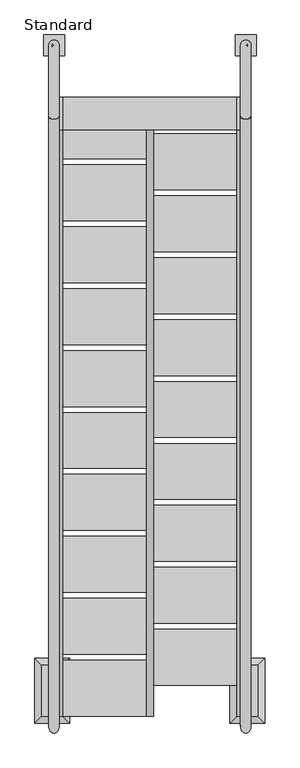
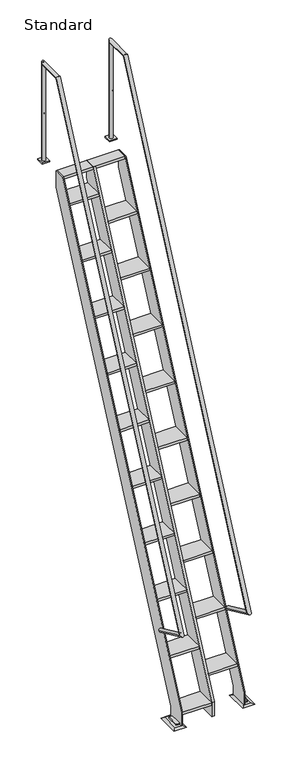
"""IFC4 building model written with IfcOpenShell, lengths in millimetres: proxy geometry, Standard."""

from ifc_helpers import new_model, si_unit, frame, origin, place, context, project, spatial, polyline, circle_curve, ellipse_curve, outline, extrude, faceted_brep, source, transform, mapped, element, save
from ifc_brep_helpers import plane_surface, cylinder_surface, advanced_brep


def standard_c1f9032d(model_context):
    return source(origin(), model_context, "Body", "SolidModel", [
        extrude(outline(polyline([(647.7, 1891.0005687), (647.7, 1687.8005687), (342.9, 1687.8005687), (342.9, 1891.0005687), (647.7, 1891.0005687)])), frame((0.0, 0.0, 3746.5), z_axis=(0.0, 0.0, 1.0), x_axis=(1.0, 0.0, 0.0)), (0.0, 0.0, 1.0), 25.4),
        extrude(outline(polyline([(647.7, 1665.9604929), (647.7, 1462.7604929), (342.9, 1462.7604929), (342.9, 1665.9604929), (647.7, 1665.9604929)])), frame((0.0, 0.0, 3263.9), z_axis=(0.0, 0.0, 1.0), x_axis=(1.0, 0.0, 0.0)), (0.0, 0.0, 1.0), 25.4),
        extrude(outline(polyline([(647.7, 1440.920417), (647.7, 1237.720417), (342.9, 1237.720417), (342.9, 1440.920417), (647.7, 1440.920417)])), frame((0.0, 0.0, 2781.3), z_axis=(0.0, 0.0, 1.0), x_axis=(1.0, 0.0, 0.0)), (0.0, 0.0, 1.0), 25.4),
        extrude(outline(polyline([(647.7, 1215.8803412), (647.7, 1012.6803412), (342.9, 1012.6803412), (342.9, 1215.8803412), (647.7, 1215.8803412)])), frame((0.0, 0.0, 2298.7), z_axis=(0.0, 0.0, 1.0), x_axis=(1.0, 0.0, 0.0)), (0.0, 0.0, 1.0), 25.4),
        extrude(outline(polyline([(647.7, 990.8402654), (647.7, 787.6402654), (342.9, 787.6402654), (342.9, 990.8402654), (647.7, 990.8402654)])), frame((0.0, 0.0, 1816.1), z_axis=(0.0, 0.0, 1.0), x_axis=(1.0, 0.0, 0.0)), (0.0, 0.0, 1.0), 25.4),
        extrude(outline(polyline([(317.5, 2003.5206066), (317.5, 1800.3206066), (12.7, 1800.3206066), (12.7, 2003.5206066), (317.5, 2003.5206066)])), frame((0.0, 0.0, 3987.8), z_axis=(0.0, 0.0, 1.0), x_axis=(1.0, 0.0, 0.0)), (0.0, 0.0, 1.0), 25.4),
        extrude(outline(polyline([(317.5, 1778.4805308), (317.5, 1575.2805308), (12.7, 1575.2805308), (12.7, 1778.4805308), (317.5, 1778.4805308)])), frame((0.0, 0.0, 3505.2), z_axis=(0.0, 0.0, 1.0), x_axis=(1.0, 0.0, 0.0)), (0.0, 0.0, 1.0), 25.4),
        extrude(outline(polyline([(317.5, 1553.440455), (317.5, 1350.240455), (12.7, 1350.240455), (12.7, 1553.440455), (317.5, 1553.440455)])), frame((0.0, 0.0, 3022.6), z_axis=(0.0, 0.0, 1.0), x_axis=(1.0, 0.0, 0.0)), (0.0, 0.0, 1.0), 25.4),
        extrude(outline(polyline([(317.5, 1328.4003791), (317.5, 1125.2003791), (12.7, 1125.2003791), (12.7, 1328.4003791), (317.5, 1328.4003791)])), frame((0.0, 0.0, 2540.0), z_axis=(0.0, 0.0, 1.0), x_axis=(1.0, 0.0, 0.0)), (0.0, 0.0, 1.0), 25.4),
        extrude(outline(polyline([(317.5, 1103.3603033), (317.5, 900.1603033), (12.7, 900.1603033), (12.7, 1103.3603033), (317.5, 1103.3603033)])), frame((0.0, 0.0, 2057.4), z_axis=(0.0, 0.0, 1.0), x_axis=(1.0, 0.0, 0.0)), (0.0, 0.0, 1.0), 25.4),
        extrude(outline(polyline([(647.7, 765.8001896), (647.7, 562.6001896), (342.9, 562.6001896), (342.9, 765.8001896), (647.7, 765.8001896)])), frame((0.0, 0.0, 1333.5), z_axis=(0.0, 0.0, 1.0), x_axis=(1.0, 0.0, 0.0)), (0.0, 0.0, 1.0), 25.4),
        extrude(outline(polyline([(647.7, 540.7601137), (647.7, 337.5601137), (342.9, 337.5601137), (342.9, 540.7601137), (647.7, 540.7601137)])), frame((0.0, 0.0, 850.9), z_axis=(0.0, 0.0, 1.0), x_axis=(1.0, 0.0, 0.0)), (0.0, 0.0, 1.0), 25.4),
        extrude(outline(polyline([(317.5, 878.3202275), (317.5, 675.1202275), (12.7, 675.1202275), (12.7, 878.3202275), (317.5, 878.3202275)])), frame((0.0, 0.0, 1574.8), z_axis=(0.0, 0.0, 1.0), x_axis=(1.0, 0.0, 0.0)), (0.0, 0.0, 1.0), 25.4),
        extrude(outline(polyline([(647.7, 315.7200379), (647.7, 112.5200379), (342.9, 112.5200379), (342.9, 315.7200379), (647.7, 315.7200379)])), frame((0.0, 0.0, 368.3), z_axis=(0.0, 0.0, 1.0), x_axis=(1.0, 0.0, 0.0)), (0.0, 0.0, 1.0), 25.4),
        extrude(outline(polyline([(317.5, 653.2801517), (317.5, 450.0801517), (12.7, 450.0801517), (12.7, 653.2801517), (317.5, 653.2801517)])), frame((0.0, 0.0, 1092.2), z_axis=(0.0, 0.0, 1.0), x_axis=(1.0, 0.0, 0.0)), (0.0, 0.0, 1.0), 25.4),
        extrude(outline(polyline([(317.5, 428.2400758), (317.5, 225.0400758), (12.7, 225.0400758), (12.7, 428.2400758), (317.5, 428.2400758)])), frame((0.0, 0.0, 609.6), z_axis=(0.0, 0.0, 1.0), x_axis=(1.0, 0.0, 0.0)), (0.0, 0.0, 1.0), 25.4),
        extrude(outline(polyline([(317.5, 203.2), (317.5, 0.0), (12.7, 0.0), (12.7, 203.2), (317.5, 203.2)])), frame((0.0, 0.0, 127.0), z_axis=(0.0, 0.0, 1.0), x_axis=(1.0, 0.0, 0.0)), (0.0, 0.0, 1.0), 25.4),
        extrude(outline(polyline([(342.9, 1912.8406445), (342.9, 2116.0406445), (647.7, 2116.0406445), (647.7, 1912.8406445), (342.9, 1912.8406445)])), frame((0.0, 0.0, 4229.1), z_axis=(0.0, 0.0, 1.0), x_axis=(1.0, 0.0, 0.0)), (0.0, 0.0, 1.0), 25.4),
        faceted_brep([(723.9, 0.0, 12.7), (723.9, 184.1617423, 12.7), (660.4, 184.1617423, 12.7), (660.4, 158.7617423, 12.7), (698.5, 158.7617423, 12.7), (698.5, 25.4, 12.7), (660.4, 25.4, 12.7), (660.4, 0.0, 12.7), (749.3, 209.5617423, 0.0), (749.3, -25.4, 0.0), (622.3, -25.4, 0.0), (622.3, 209.5617423, 0.0), (647.7, 184.1617423, 12.7), (647.7, 0.0, 12.7), (660.4, 0.0, 152.4), (647.7, 0.0, 152.4), (647.7, 2131.9586131, 4724.4), (647.7, 2249.2825823, 4724.4), (647.7, 2249.2825823, 4540.2382577), (647.7, 184.1617423, 111.5723247), (660.4, 184.1617423, 111.5723247), (660.4, 2249.2825823, 4540.2382577), (660.4, 2249.2825823, 4724.4), (660.4, 2131.9586131, 4724.4), (660.4, 25.4, 25.4), (660.4, 158.7617423, 25.4), (698.5, 158.7617423, 25.4), (698.5, 25.4, 25.4)], [[[0, 1, 2, 3, 4, 5, 6, 7]], [[8, 9, 10, 11]], [[8, 11, 12, 2, 1]], [[11, 10, 13, 12]], [[10, 9, 0, 7, 13]], [[1, 0, 9, 8]], [[14, 15, 13, 7]], [[15, 16, 17, 18, 19, 12, 13]], [[19, 20, 2, 12]], [[20, 21, 22, 23, 14, 7, 6, 24, 25, 3, 2]], [[15, 14, 23, 16]], [[19, 18, 21, 20]], [[18, 17, 22, 21]], [[17, 16, 23, 22]], [[26, 25, 24, 27]], [[25, 26, 4, 3]], [[27, 24, 6, 5]], [[26, 27, 5, 4]]]),
        faceted_brep([(-88.9, -25.4, 0.0), (-88.9, 209.5617423, 0.0), (38.1, 209.5617423, 0.0), (38.1, -25.4, 0.0), (12.7, 0.0, 152.4), (0.0, 0.0, 152.4), (0.0, 0.0, 12.7), (12.7, 0.0, 12.7), (0.0, 2131.9586131, 4724.4), (0.0, 2249.2825823, 4724.4), (0.0, 2249.2825823, 4540.2382577), (0.0, 184.1617423, 111.5723247), (0.0, 184.1617423, 12.7), (0.0, 158.7617423, 12.7), (0.0, 158.7617423, 25.4), (0.0, 25.4, 25.4), (0.0, 25.4, 12.7), (12.7, 184.1617423, 111.5723247), (12.7, 184.1617423, 12.7), (12.7, 2249.2825823, 4540.2382577), (12.7, 2249.2825823, 4724.4), (12.7, 2131.9586131, 4724.4), (-63.5, 184.1617423, 12.7), (-63.5, 0.0, 12.7), (-38.1, 25.4, 12.7), (-38.1, 158.7617423, 12.7), (-38.1, 158.7617423, 25.4), (-38.1, 25.4, 25.4)], [[[0, 1, 2, 3]], [[4, 5, 6, 7]], [[5, 8, 9, 10, 11, 12, 13, 14, 15, 16, 6]], [[11, 17, 18, 12]], [[17, 19, 20, 21, 4, 7, 18]], [[5, 4, 21, 8]], [[11, 10, 19, 17]], [[10, 9, 20, 19]], [[9, 8, 21, 20]], [[22, 23, 6, 16, 24, 25, 13, 12]], [[0, 3, 7, 6, 23]], [[3, 2, 18, 7]], [[2, 1, 22, 12, 18]], [[23, 22, 1, 0]], [[14, 26, 27, 15]], [[26, 14, 13, 25]], [[27, 26, 25, 24]], [[15, 27, 24, 16]]]),
        advanced_brep(
        [(717.55, 2476.1268058, 4737.1), (717.55, 2399.9268058, 4737.1), (717.55, 2399.9268058, 4724.4), (717.55, 2476.1268058, 4724.4), (641.35, 2476.1268058, 4737.1), (641.35, 2476.1268058, 4724.4), (641.35, 2399.9268058, 4724.4), (641.35, 2399.9268058, 4737.1), (698.5, 2438.0268058, 4737.1), (660.4, 2438.0268058, 4737.1), (660.4, 331.6380065, 863.6), (698.5, 331.6380065, 863.6), (660.4, -36.6854782, 1035.3520616), (698.5, -36.6854782, 1035.3520616), (660.4, 2181.0028365, 5791.2), (698.5, 2181.0028365, 5791.2), (660.4, 2438.0268058, 5791.2), (698.5, 2438.0268058, 5791.2), (685.8, 2444.3768058, 5809.1605122), (685.8, 2431.6768058, 5809.1605122), (679.45, 2438.0268058, 5810.25), (685.8, 2420.0662935, 5264.15), (685.8, 2420.0662935, 5251.45), (679.45, 2418.9768058, 5257.8), (685.8, 2455.987318, 5251.45), (685.8, 2455.987318, 5264.15), (679.45, 2457.0768058, 5257.8), (685.8, 2455.987318, 5784.85), (685.8, 2455.987318, 5797.55), (679.45, 2457.0768058, 5791.2), (685.8, 2418.9768058, 5257.8), (685.8, 2457.0768058, 5257.8), (685.8, 2457.0768058, 5791.2)],
        [
            (0, 1),
            (1, 2),
            (2, 3),
            (3, 0),
            (4, 5),
            (5, 6),
            (6, 7),
            (7, 4),
            (0, 4),
            (7, 1),
            (8, 9, circle_curve(frame((679.45, 2438.0268058, 4737.1), z_axis=(0.0, 0.0, -1.0), x_axis=(1.0, 0.0, 0.0)), 19.05)),
            (9, 8, circle_curve(frame((679.45, 2438.0268058, 4737.1), z_axis=(0.0, 0.0, -1.0), x_axis=(1.0, 0.0, 0.0)), 19.05)),
            (6, 2),
            (5, 3),
            (10, 11, circle_curve(frame((679.45, 331.6380065, 863.6), z_axis=(0.0, 0.9063077870366517, -0.4226182617406956), x_axis=(1.0, 0.0, 0.0)), 19.05)),
            (11, 10, circle_curve(frame((679.45, 331.6380065, 863.6), z_axis=(0.0, 0.9063077870366517, -0.4226182617406956), x_axis=(1.0, 0.0, 0.0)), 19.05)),
            (10, 12),
            (12, 13, ellipse_curve(frame((679.45, -36.6854782, 1035.3520616), z_axis=(0.0, 0.3420201433256732, -0.9396926207859068), x_axis=(0.0, 0.9396926207859068, 0.3420201433256732)), 26.9407684, 19.05)),
            (13, 11),
            (13, 12, ellipse_curve(frame((679.45, -36.6854782, 1035.3520616), z_axis=(0.0, 0.3420201433256732, -0.9396926207859068), x_axis=(0.0, 0.9396926207859068, 0.3420201433256732)), 26.9407684, 19.05)),
            (12, 14),
            (14, 15, ellipse_curve(frame((679.45, 2181.0028365, 5791.2), z_axis=(0.0, -0.8433914458128842, -0.5372996083468261), x_axis=(0.0, 0.5372996083468259, -0.8433914458128843)), 22.5873764, 19.05)),
            (15, 13),
            (15, 14, ellipse_curve(frame((679.45, 2181.0028365, 5791.2), z_axis=(0.0, -0.8433914458128842, -0.5372996083468261), x_axis=(0.0, 0.5372996083468259, -0.8433914458128843)), 22.5873764, 19.05)),
            (14, 16),
            (16, 17, ellipse_curve(frame((679.45, 2438.0268058, 5791.2), z_axis=(0.0, -0.7071067811865468, 0.7071067811865481), x_axis=(0.0, -0.7071067811865482, -0.7071067811865467)), 26.9407684, 19.05)),
            (17, 15),
            (17, 16, ellipse_curve(frame((679.45, 2438.0268058, 5791.2), z_axis=(0.0, -0.7071067811865468, 0.7071067811865481), x_axis=(0.0, -0.7071067811865482, -0.7071067811865467)), 26.9407684, 19.05)),
            (18, 19),
            (19, 20, ellipse_curve(frame((679.45, 2438.0268058, 5791.2), z_axis=(-0.7071067811865475, -0.7071067811865475, 0.0), x_axis=(0.7071067811865474, -0.7071067811865476, 0.0)), 26.9407684, 19.05)),
            (20, 18, ellipse_curve(frame((679.45, 2438.0268058, 5791.2), z_axis=(-0.7071067811865475, 0.7071067811865475, 0.0), x_axis=(-0.7071067811865474, -0.7071067811865476, 0.0)), 26.9407684, 19.05)),
            (16, 9),
            (8, 17),
            (21, 22),
            (22, 23, ellipse_curve(frame((679.45, 2438.0268058, 5257.8), z_axis=(-0.7071067811865548, 0.0, -0.7071067811865402), x_axis=(-0.7071067811865401, 0.0, 0.7071067811865548)), 26.9407684, 19.05)),
            (23, 21, ellipse_curve(frame((679.45, 2438.0268058, 5257.8), z_axis=(-0.7071067811865402, 0.0, 0.7071067811865548), x_axis=(0.7071067811865548, 0.0, 0.7071067811865401)), 26.9407684, 19.05)),
            (24, 25),
            (25, 26, ellipse_curve(frame((679.45, 2438.0268058, 5257.8), z_axis=(-0.7071067811865402, 0.0, 0.7071067811865548), x_axis=(0.7071067811865548, 0.0, 0.7071067811865401)), 26.9407684, 19.05)),
            (26, 24, ellipse_curve(frame((679.45, 2438.0268058, 5257.8), z_axis=(-0.7071067811865548, 0.0, -0.7071067811865402), x_axis=(-0.7071067811865401, 0.0, 0.7071067811865548)), 26.9407684, 19.05)),
            (27, 28),
            (28, 29, ellipse_curve(frame((679.45, 2438.0268058, 5791.2), z_axis=(-0.7071067811865402, 0.0, 0.7071067811865548), x_axis=(0.7071067811865548, 0.0, 0.7071067811865401)), 26.9407684, 19.05)),
            (29, 27, ellipse_curve(frame((679.45, 2438.0268058, 5791.2), z_axis=(-0.7071067811865548, 0.0, -0.7071067811865402), x_axis=(-0.7071067811865401, 0.0, 0.7071067811865548)), 26.9407684, 19.05)),
            (30, 22, circle_curve(frame((685.8, 2438.0268058, 5257.8), z_axis=(1.0, 0.0, 0.0), x_axis=(0.0, 1.0, 0.0)), 19.05)),
            (21, 30, circle_curve(frame((685.8, 2438.0268058, 5257.8), z_axis=(1.0, 0.0, 0.0), x_axis=(0.0, 1.0, 0.0)), 19.05)),
            (24, 31, circle_curve(frame((685.8, 2438.0268058, 5257.8), z_axis=(1.0, 0.0, 0.0), x_axis=(0.0, 1.0, 0.0)), 19.05)),
            (31, 25, circle_curve(frame((685.8, 2438.0268058, 5257.8), z_axis=(1.0, 0.0, 0.0), x_axis=(0.0, 1.0, 0.0)), 19.05)),
            (27, 32, circle_curve(frame((685.8, 2438.0268058, 5791.2), z_axis=(1.0, 0.0, 0.0), x_axis=(0.0, 1.0, 0.0)), 19.05)),
            (32, 28, circle_curve(frame((685.8, 2438.0268058, 5791.2), z_axis=(1.0, 0.0, 0.0), x_axis=(0.0, 1.0, 0.0)), 19.05)),
            (18, 19, circle_curve(frame((685.8, 2438.0268058, 5791.2), z_axis=(1.0, 0.0, 0.0), x_axis=(0.0, 1.0, 0.0)), 19.05)),
            (30, 23),
            (26, 31),
            (29, 32),
        ],
        [
            plane_surface(frame((717.55, 2399.9268058, 4737.1), z_axis=(1.0, 0.0, 0.0), x_axis=(0.0, -1.0, 0.0))),
            plane_surface(frame((641.35, 2399.9268058, 4737.1), z_axis=(-1.0, 0.0, 0.0), x_axis=(0.0, 1.0, 0.0))),
            plane_surface(frame((717.55, 2476.1268058, 4737.1), z_axis=(0.0, 0.0, 1.0), x_axis=(-1.0, 0.0, 0.0))),
            plane_surface(frame((717.55, 2399.9268058, 4737.1), z_axis=(0.0, -1.0, 0.0), x_axis=(-1.0, 0.0, 0.0))),
            plane_surface(frame((717.55, 2399.9268058, 4724.4), z_axis=(0.0, 0.0, -1.0), x_axis=(-1.0, 0.0, 0.0))),
            plane_surface(frame((717.55, 2476.1268058, 4724.4), z_axis=(0.0, 1.0, 0.0), x_axis=(-1.0, 0.0, 0.0))),
            plane_surface(frame((0.0, 331.6380065, 863.6), z_axis=(0.0, 0.9063077870366517, -0.4226182617406956), x_axis=(1.0, 0.0, 0.0))),
            cylinder_surface(frame((679.45, 331.6380065, 863.6), z_axis=(0.0, 0.9063077870366517, -0.4226182617406956), x_axis=(1.0, 0.0, 0.0)), 19.05),
            cylinder_surface(frame((679.45, -36.6854782, 1035.3520616), z_axis=(0.0, -0.4226182617406945, -0.9063077870366524), x_axis=(1.0, 0.0, 0.0)), 19.05),
            cylinder_surface(frame((679.45, 2181.0028365, 5791.2), z_axis=(0.0, -1.0, 0.0), x_axis=(1.0, 0.0, 0.0)), 19.05),
            cylinder_surface(frame((679.45, 2438.0268058, 5791.2), z_axis=(0.0, 0.0, 1.0), x_axis=(1.0, 0.0, 0.0)), 19.05),
            plane_surface(frame((685.8, 2457.0768058, 5257.8), z_axis=(1.0, 0.0, 0.0), x_axis=(0.0, 0.0, 1.0))),
            cylinder_surface(frame((679.45, 2438.0268058, 5257.8), z_axis=(1.0, 0.0, 0.0), x_axis=(0.0, 1.0, 0.0)), 19.05),
            cylinder_surface(frame((0.0, 2438.0268058, 5791.2), z_axis=(1.0, 0.0, 0.0), x_axis=(0.0, 1.0, 0.0)), 19.05),
        ],
        [
            (0, [[1, 2, 3, 4]]),
            (1, [[5, 6, 7, 8]]),
            (2, [[-1, 9, -8, 10], [11, 12]]),
            (3, [[-2, -10, -7, 13]]),
            (4, [[-3, -13, -6, 14]]),
            (5, [[-4, -14, -5, -9]]),
            (6, [[15, 16]]),
            (7, [[-15, 17, 18, 19]]),
            (7, [[-16, -19, 20, -17]]),
            (8, [[-18, 21, 22, 23]]),
            (8, [[-20, -23, 24, -21]]),
            (9, [[-22, 25, 26, 27]]),
            (9, [[-24, -27, 28, -25], [29, 30, 31]]),
            (10, [[-26, 32, -11, 33], [34, 35, 36]]),
            (10, [[-28, -33, -12, -32], [37, 38, 39], [40, 41, 42]]),
            (11, [[43, -34, 44]]),
            (11, [[45, 46, -37]]),
            (11, [[47, 48, -40]]),
            (11, [[49, -29]]),
            (12, [[50, -35, -43]]),
            (12, [[51, -45, -39]]),
            (12, [[-50, -44, -36]]),
            (12, [[-51, -38, -46]]),
            (13, [[52, -47, -42]]),
            (13, [[-52, -41, -48]]),
            (13, [[-49, -31, -30]]),
        ],
    ),
        advanced_brep(
        [(-38.1, 331.6380065, 863.6), (0.0, 331.6380065, 863.6), (-38.1, -36.6854782, 1035.3520616), (0.0, -36.6854782, 1035.3520616), (-38.1, 2181.0028365, 5791.2), (0.0, 2181.0028365, 5791.2), (-38.1, 2438.0268058, 5791.2), (0.0, 2438.0268058, 5791.2), (-25.4, 2431.6768058, 5809.1605122), (-25.4, 2444.3768058, 5809.1605122), (-19.05, 2438.0268058, 5810.25), (19.05, 2476.1268058, 4724.4), (19.05, 2399.9268058, 4724.4), (-57.15, 2399.9268058, 4724.4), (-57.15, 2476.1268058, 4724.4), (-38.1, 2438.0268058, 4737.1), (0.0, 2438.0268058, 4737.1), (-25.4, 2420.0662935, 5251.45), (-25.4, 2420.0662935, 5264.15), (-19.05, 2418.9768058, 5257.8), (-25.4, 2455.987318, 5264.15), (-25.4, 2455.987318, 5251.45), (-19.05, 2457.0768058, 5257.8), (-25.4, 2455.987318, 5797.55), (-25.4, 2455.987318, 5784.85), (-19.05, 2457.0768058, 5791.2), (-25.4, 2418.9768058, 5257.8), (-25.4, 2457.0768058, 5257.8), (-25.4, 2457.0768058, 5791.2), (19.05, 2399.9268058, 4737.1), (19.05, 2476.1268058, 4737.1), (-57.15, 2399.9268058, 4737.1), (-57.15, 2476.1268058, 4737.1)],
        [
            (0, 1, circle_curve(frame((-19.05, 331.6380065, 863.6), z_axis=(0.0, 0.9063077870366517, -0.4226182617406956), x_axis=(1.0, 0.0, 0.0)), 19.05)),
            (1, 0, circle_curve(frame((-19.05, 331.6380065, 863.6), z_axis=(0.0, 0.9063077870366517, -0.4226182617406956), x_axis=(1.0, 0.0, 0.0)), 19.05)),
            (0, 2),
            (2, 3, ellipse_curve(frame((-19.05, -36.6854782, 1035.3520616), z_axis=(0.0, 0.3420201433256732, -0.9396926207859068), x_axis=(0.0, 0.9396926207859068, 0.3420201433256732)), 26.9407684, 19.05)),
            (3, 1),
            (3, 2, ellipse_curve(frame((-19.05, -36.6854782, 1035.3520616), z_axis=(0.0, 0.3420201433256732, -0.9396926207859068), x_axis=(0.0, 0.9396926207859068, 0.3420201433256732)), 26.9407684, 19.05)),
            (2, 4),
            (4, 5, ellipse_curve(frame((-19.05, 2181.0028365, 5791.2), z_axis=(0.0, -0.8433914458128842, -0.5372996083468261), x_axis=(0.0, 0.5372996083468259, -0.8433914458128843)), 22.5873764, 19.05)),
            (5, 3),
            (5, 4, ellipse_curve(frame((-19.05, 2181.0028365, 5791.2), z_axis=(0.0, -0.8433914458128842, -0.5372996083468261), x_axis=(0.0, 0.5372996083468259, -0.8433914458128843)), 22.5873764, 19.05)),
            (4, 6),
            (6, 7, ellipse_curve(frame((-19.05, 2438.0268058, 5791.2), z_axis=(0.0, -0.7071067811865468, 0.7071067811865481), x_axis=(0.0, -0.7071067811865482, -0.7071067811865467)), 26.9407684, 19.05)),
            (7, 5),
            (7, 6, ellipse_curve(frame((-19.05, 2438.0268058, 5791.2), z_axis=(0.0, -0.7071067811865468, 0.7071067811865481), x_axis=(0.0, -0.7071067811865482, -0.7071067811865467)), 26.9407684, 19.05)),
            (8, 9),
            (9, 10, ellipse_curve(frame((-19.05, 2438.0268058, 5791.2), z_axis=(0.7071067811865475, 0.7071067811865475, 0.0), x_axis=(0.7071067811865474, -0.7071067811865476, 0.0)), 26.9407684, 19.05)),
            (10, 8, ellipse_curve(frame((-19.05, 2438.0268058, 5791.2), z_axis=(0.7071067811865475, -0.7071067811865475, 0.0), x_axis=(-0.7071067811865474, -0.7071067811865476, 0.0)), 26.9407684, 19.05)),
            (11, 12),
            (12, 13),
            (13, 14),
            (14, 11),
            (6, 15),
            (15, 16, circle_curve(frame((-19.05, 2438.0268058, 4737.1), z_axis=(0.0, 0.0, 1.0), x_axis=(1.0, 0.0, 0.0)), 19.05)),
            (16, 7),
            (17, 18),
            (18, 19, ellipse_curve(frame((-19.05, 2438.0268058, 5257.8), z_axis=(0.7071067811865548, 0.0, 0.7071067811865402), x_axis=(-0.7071067811865401, 0.0, 0.7071067811865548)), 26.9407684, 19.05)),
            (19, 17, ellipse_curve(frame((-19.05, 2438.0268058, 5257.8), z_axis=(0.7071067811865402, 0.0, -0.7071067811865548), x_axis=(0.7071067811865548, 0.0, 0.7071067811865401)), 26.9407684, 19.05)),
            (16, 15, circle_curve(frame((-19.05, 2438.0268058, 4737.1), z_axis=(0.0, 0.0, 1.0), x_axis=(1.0, 0.0, 0.0)), 19.05)),
            (20, 21),
            (21, 22, ellipse_curve(frame((-19.05, 2438.0268058, 5257.8), z_axis=(0.7071067811865402, 0.0, -0.7071067811865548), x_axis=(0.7071067811865548, 0.0, 0.7071067811865401)), 26.9407684, 19.05)),
            (22, 20, ellipse_curve(frame((-19.05, 2438.0268058, 5257.8), z_axis=(0.7071067811865548, 0.0, 0.7071067811865402), x_axis=(-0.7071067811865401, 0.0, 0.7071067811865548)), 26.9407684, 19.05)),
            (23, 24),
            (24, 25, ellipse_curve(frame((-19.05, 2438.0268058, 5791.2), z_axis=(0.7071067811865402, 0.0, -0.7071067811865548), x_axis=(0.7071067811865548, 0.0, 0.7071067811865401)), 26.9407684, 19.05)),
            (25, 23, ellipse_curve(frame((-19.05, 2438.0268058, 5791.2), z_axis=(0.7071067811865548, 0.0, 0.7071067811865402), x_axis=(-0.7071067811865401, 0.0, 0.7071067811865548)), 26.9407684, 19.05)),
            (26, 18, circle_curve(frame((-25.4, 2438.0268058, 5257.8), z_axis=(-1.0, 0.0, 0.0), x_axis=(0.0, 1.0, 0.0)), 19.05)),
            (17, 26, circle_curve(frame((-25.4, 2438.0268058, 5257.8), z_axis=(-1.0, 0.0, 0.0), x_axis=(0.0, 1.0, 0.0)), 19.05)),
            (20, 27, circle_curve(frame((-25.4, 2438.0268058, 5257.8), z_axis=(-1.0, 0.0, 0.0), x_axis=(0.0, 1.0, 0.0)), 19.05)),
            (27, 21, circle_curve(frame((-25.4, 2438.0268058, 5257.8), z_axis=(-1.0, 0.0, 0.0), x_axis=(0.0, 1.0, 0.0)), 19.05)),
            (27, 22),
            (19, 26),
            (8, 9, circle_curve(frame((-25.4, 2438.0268058, 5791.2), z_axis=(-1.0, 0.0, 0.0), x_axis=(0.0, 1.0, 0.0)), 19.05)),
            (23, 28, circle_curve(frame((-25.4, 2438.0268058, 5791.2), z_axis=(-1.0, 0.0, 0.0), x_axis=(0.0, 1.0, 0.0)), 19.05)),
            (28, 24, circle_curve(frame((-25.4, 2438.0268058, 5791.2), z_axis=(-1.0, 0.0, 0.0), x_axis=(0.0, 1.0, 0.0)), 19.05)),
            (28, 25),
            (29, 12),
            (11, 30),
            (30, 29),
            (31, 32),
            (32, 14),
            (13, 31),
            (29, 31),
            (32, 30),
        ],
        [
            plane_surface(frame((0.0, 331.6380065, 863.6), z_axis=(0.0, 0.9063077870366517, -0.4226182617406956), x_axis=(1.0, 0.0, 0.0))),
            cylinder_surface(frame((-19.05, 331.6380065, 863.6), z_axis=(0.0, 0.9063077870366517, -0.4226182617406956), x_axis=(1.0, 0.0, 0.0)), 19.05),
            cylinder_surface(frame((-19.05, -36.6854782, 1035.3520616), z_axis=(0.0, -0.4226182617406945, -0.9063077870366524), x_axis=(1.0, 0.0, 0.0)), 19.05),
            cylinder_surface(frame((-19.05, 2181.0028365, 5791.2), z_axis=(0.0, -1.0, 0.0), x_axis=(1.0, 0.0, 0.0)), 19.05),
            plane_surface(frame((0.0, 2438.0268058, 4724.4), z_axis=(0.0, 0.0, -1.0), x_axis=(1.0, 0.0, 0.0))),
            cylinder_surface(frame((-19.05, 2438.0268058, 5791.2), z_axis=(0.0, 0.0, 1.0), x_axis=(1.0, 0.0, 0.0)), 19.05),
            plane_surface(frame((-25.4, 2457.0768058, 5257.8), z_axis=(-1.0, 0.0, 0.0), x_axis=(0.0, 0.0, -1.0))),
            cylinder_surface(frame((-25.4, 2438.0268058, 5257.8), z_axis=(1.0, 0.0, 0.0), x_axis=(0.0, 1.0, 0.0)), 19.05),
            plane_surface(frame((-25.4, 2457.0768058, 5791.2), z_axis=(-1.0, 0.0, 0.0), x_axis=(0.0, 0.0, -1.0))),
            cylinder_surface(frame((-25.4, 2438.0268058, 5791.2), z_axis=(1.0, 0.0, 0.0), x_axis=(0.0, 1.0, 0.0)), 19.05),
            plane_surface(frame((19.05, 2399.9268058, 4737.1), z_axis=(1.0, 0.0, 0.0), x_axis=(0.0, 0.0, -1.0))),
            plane_surface(frame((-57.15, 2399.9268058, 4737.1), z_axis=(-1.0, 0.0, 0.0), x_axis=(0.0, 0.0, 1.0))),
            plane_surface(frame((19.05, 2399.9268058, 4737.1), z_axis=(0.0, -1.0, 0.0), x_axis=(-1.0, 0.0, 0.0))),
            plane_surface(frame((19.05, 2476.1268058, 4724.4), z_axis=(0.0, 1.0, 0.0), x_axis=(-1.0, 0.0, 0.0))),
            plane_surface(frame((19.05, 2476.1268058, 4737.1), z_axis=(0.0, 0.0, 1.0), x_axis=(-1.0, 0.0, 0.0))),
        ],
        [
            (0, [[1, 2]]),
            (1, [[-1, 3, 4, 5]]),
            (1, [[-2, -5, 6, -3]]),
            (2, [[-4, 7, 8, 9]]),
            (2, [[-6, -9, 10, -7]]),
            (3, [[-8, 11, 12, 13]]),
            (3, [[-10, -13, 14, -11], [15, 16, 17]]),
            (4, [[18, 19, 20, 21]]),
            (5, [[-12, 22, 23, 24], [25, 26, 27]]),
            (5, [[-14, -24, 28, -22], [29, 30, 31], [32, 33, 34]]),
            (6, [[35, -25, 36]]),
            (6, [[37, 38, -29]]),
            (7, [[39, -30, -38]]),
            (7, [[40, -36, -27]]),
            (7, [[-39, -37, -31]]),
            (7, [[-40, -26, -35]]),
            (8, [[41, -15]]),
            (8, [[42, 43, -32]]),
            (9, [[44, -33, -43]]),
            (9, [[-44, -42, -34]]),
            (9, [[-41, -17, -16]]),
            (10, [[45, -18, 46, 47]]),
            (11, [[48, 49, -20, 50]]),
            (12, [[-45, 51, -50, -19]]),
            (13, [[-46, -21, -49, 52]]),
            (14, [[-47, -52, -48, -51], [-23, -28]]),
        ],
    ),
        extrude(outline(polyline([(317.5, 2228.5606824), (317.5, 2025.3606824), (12.7, 2025.3606824), (12.7, 2228.5606824), (317.5, 2228.5606824)])), frame((0.0, 0.0, 4470.4), z_axis=(0.0, 0.0, 1.0), x_axis=(1.0, 0.0, 0.0)), (0.0, 0.0, 1.0), 25.4),
        extrude(outline(polyline([(647.7, 2249.2825823), (647.7, 2131.9586131), (12.7, 2131.9586131), (12.7, 2249.2825823), (647.7, 2249.2825823)])), frame((0.0, 0.0, 4699.0), z_axis=(0.0, 0.0, 1.0), x_axis=(1.0, 0.0, 0.0)), (0.0, 0.0, 1.0), 25.4),
        extrude(outline(polyline([(184.1617423, 0.0), (0.0, 0.0), (0.0, 152.4), (2131.9586131, 4724.4), (2249.2825823, 4724.4), (2249.2825823, 4540.2382577), (184.1617423, 111.5723247), (184.1617423, 0.0)])), frame((317.5, 0.0, 0.0), z_axis=(1.0, 0.0, 0.0), x_axis=(0.0, 1.0, 0.0)), (0.0, 0.0, 1.0), 25.4),
    ])


if __name__ == "__main__":
    model = new_model("IFC4")
    model_context = context("Model", 3, world=origin())
    ifc_project = project(units=[si_unit("LENGTHUNIT", "METRE", prefix="MILLI")], contexts=[model_context])
    site = spatial("IfcSite", under=ifc_project)
    building = spatial("IfcBuilding", under=site)
    placement = place(None, origin())
    standard_shape = standard_c1f9032d(model_context)
    element("IfcBuildingElementProxy", 1, Name="Standard", ObjectType="Standard", at=placement, inside=building, context=model_context, shape_type="MappedRepresentation", body=[
        mapped(standard_shape, transform((0.0, 0.0, 0.0), x_axis=(1.0, 0.0, 0.0), y_axis=(0.0, 1.0, 0.0), z_axis=(0.0, 0.0, 1.0))),
    ])
    save(model, "model.ifc")
